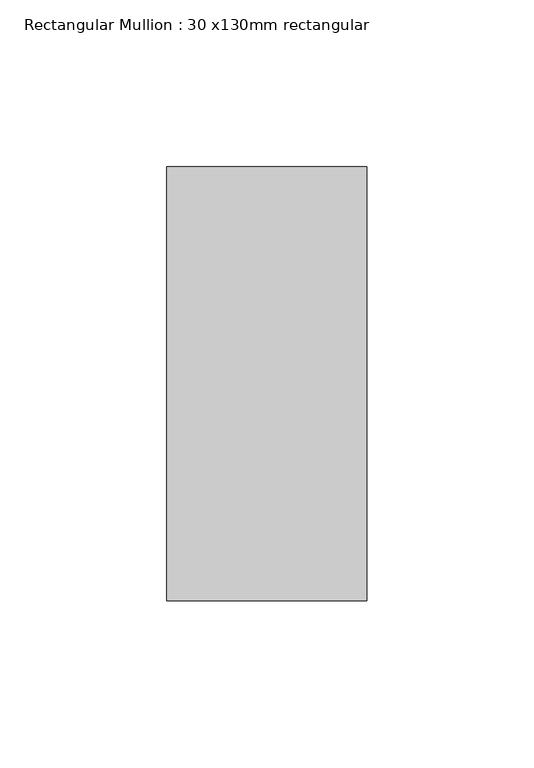
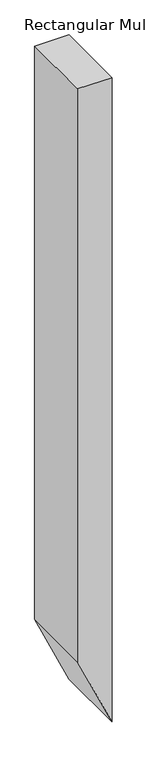
"""IFC4 building model written with IfcOpenShell, lengths in millimetres: member geometry, Rectangular Mullion : 30 x130mm rectangular."""

from ifc_helpers import new_model, si_unit, frame, origin, place, context, project, spatial, polyline, outline, extrude, source, transform, mapped, element, save


def rectangular_mullion_30_x130mm_rectangular_4e579348(model_context):
    return source(origin(), model_context, "Body", "SweptSolid", [
        extrude(outline(polyline([(0.0, 0.0), (0.0, -60.0), (-1058.6659367, -60.0), (-1190.0000003, 0.0), (0.0, 0.0)])), frame((0.0, -65.0, 0.0), z_axis=(0.0, 1.0, 0.0), x_axis=(0.0, 0.0, 1.0)), (0.0, 0.0, 1.0), 130.0),
    ])


if __name__ == "__main__":
    model = new_model("IFC4")
    model_context = context("Model", 3, world=origin())
    ifc_project = project(units=[si_unit("LENGTHUNIT", "METRE", prefix="MILLI")], contexts=[model_context])
    site = spatial("IfcSite", under=ifc_project)
    building = spatial("IfcBuilding", under=site)
    placement = place(None, origin())
    rectangular_mullion_30_x130mm_rectangular_shape = rectangular_mullion_30_x130mm_rectangular_4e579348(model_context)
    element("IfcMember", 1, ObjectType="Rectangular Mullion : 30 x130mm rectangular", at=placement, inside=building, context=model_context, shape_type="MappedRepresentation", body=[
        mapped(rectangular_mullion_30_x130mm_rectangular_shape, transform((0.0, 0.0, 0.0), x_axis=(1.0, 0.0, 0.0), y_axis=(0.0, 1.0, 0.0), z_axis=(0.0, 0.0, 1.0))),
    ])
    save(model, "model.ifc")
